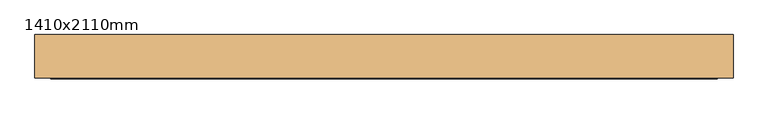
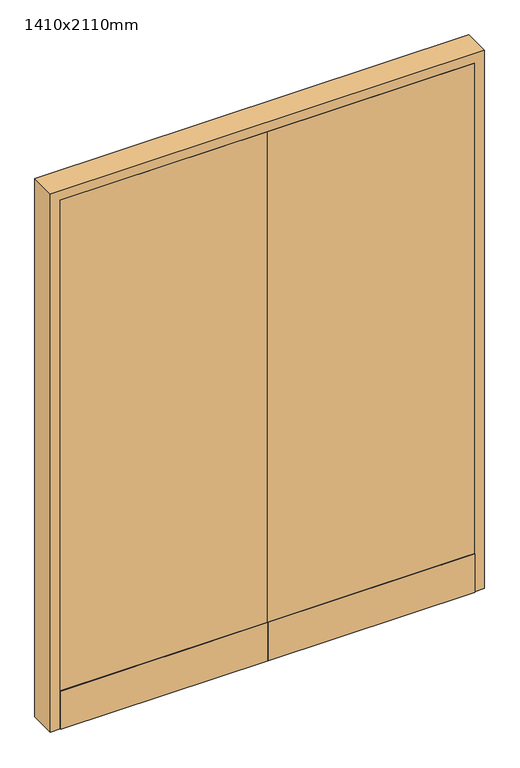
"""IFC4 building model written with IfcOpenShell, lengths in millimetres: door geometry, 1410x2110mm."""

import ifcopenshell
import ifcopenshell.guid

model = None  # the IFC model being written
_history = None  # IfcOwnerHistory: only IFC2X3 demands one
_inside = {}  # id of a spatial element -> (the spatial element, [elements in it])
_under = {}  # id of a project, library or spatial element -> (it, [spatial elements below it])
_declared = {}  # id of a project -> (the project, [libraries it declares])
_typed = {}  # id of a type object -> (the type object, [elements of that type])
_made_of = {}  # id of a material, layer set ... -> (it, [elements and type objects made of it])


def new_model(schema):
    """Start an empty IFC model of exactly this schema.

    Asked for "IFC4X3", IfcOpenShell would pick the latest addendum, in which some entities
    have other attributes; the version numbers below select the first issue.
    IFC2X3 requires an IfcOwnerHistory on every rooted entity: one is made here for all.
    """
    global model, _history
    if schema == "IFC4X3":
        model = ifcopenshell.file(schema_version=(4, 3, 0, 0))
    else:
        model = ifcopenshell.file(schema=schema)
    _inside.clear()
    _under.clear()
    _declared.clear()
    _typed.clear()
    _made_of.clear()
    _history = None
    if model.schema == "IFC2X3":
        org = make("IfcOrganization", Name="unknown")
        user = make(
            "IfcPersonAndOrganization",
            ThePerson=make("IfcPerson", FamilyName="unknown"),
            TheOrganization=org,
        )
        app = make(
            "IfcApplication",
            ApplicationDeveloper=org,
            Version="unknown",
            ApplicationFullName="unknown",
            ApplicationIdentifier="unknown",
        )
        _history = make(
            "IfcOwnerHistory",
            OwningUser=user,
            OwningApplication=app,
            ChangeAction="ADDED",
            CreationDate=0,
        )
    return model


def make(cls, **values):
    """One entity of the class cls with the attributes given. An attribute that is None is left unset."""
    return model.create_entity(
        cls, **{name: value for name, value in values.items() if value is not None}
    )


def rooted(cls, **values):
    """An entity with a GlobalId (a new one), such as an element, a storey or a relation."""
    return make(cls, GlobalId=ifcopenshell.guid.new(), OwnerHistory=_history, **values)


def si_unit(unit_type, name, prefix=None):
    """IfcSIUnit, for example si_unit("LENGTHUNIT", "METRE", prefix="MILLI")."""
    return make("IfcSIUnit", UnitType=unit_type, Prefix=prefix, Name=name)


def assignment(units):
    """IfcUnitAssignment: the units of a project."""
    return None if units is None else make("IfcUnitAssignment", Units=units)


def point(xyz):
    """IfcCartesianPoint."""
    return None if xyz is None else make("IfcCartesianPoint", Coordinates=xyz)


def direction(xyz):
    """IfcDirection."""
    return None if xyz is None else make("IfcDirection", DirectionRatios=xyz)


def frame(location, z_axis=None, x_axis=None):
    """IfcAxis2Placement3D, a coordinate frame: its origin and axes. An axis left out is left unset."""
    return make(
        "IfcAxis2Placement3D",
        Location=point(location),
        Axis=direction(z_axis),
        RefDirection=direction(x_axis),
    )


def origin():
    """The frame at (0, 0, 0) with its axes left unset."""
    return frame((0.0, 0.0, 0.0))


def origin_with_axes():
    """The frame at (0, 0, 0) with the z axis (0, 0, 1) and the x axis (1, 0, 0) written out."""
    return frame((0.0, 0.0, 0.0), z_axis=(0.0, 0.0, 1.0), x_axis=(1.0, 0.0, 0.0))


def place(relative_to, where):
    """IfcLocalPlacement: puts the frame where relative to a parent placement (None: the world)."""
    return make(
        "IfcLocalPlacement", PlacementRelTo=relative_to, RelativePlacement=where
    )


def context(
    kind, dimensions, precision=None, world=None, true_north=None, identifier=None
):
    """IfcGeometricRepresentationContext, for example the 3D "Model" context."""
    return make(
        "IfcGeometricRepresentationContext",
        ContextIdentifier=identifier,
        ContextType=kind,
        CoordinateSpaceDimension=dimensions,
        Precision=precision,
        WorldCoordinateSystem=world,
        TrueNorth=true_north,
    )


def project(units=None, contexts=None):
    """IfcProject with its units and contexts."""
    return rooted(
        "IfcProject",
        Name="project",
        RepresentationContexts=contexts,
        UnitsInContext=assignment(units),
    )


def spatial(cls, under=None, at=None, **own):
    """A site, building, storey or space (cls), placed at a placement, below another one or the project."""
    s = rooted(cls, ObjectPlacement=at, **own)
    if under is not None:
        _under.setdefault(under.id(), (under, []))[1].append(s)
    return s


def polyline(points):
    """IfcPolyline through the points."""
    return make("IfcPolyline", Points=[point(p) for p in points])


def outline(outer, holes=None, kind="AREA"):
    """IfcArbitraryClosedProfileDef: a profile drawn as a closed curve; with holes, ...WithVoids."""
    if holes is None:
        return make("IfcArbitraryClosedProfileDef", ProfileType=kind, OuterCurve=outer)
    return make(
        "IfcArbitraryProfileDefWithVoids",
        ProfileType=kind,
        OuterCurve=outer,
        InnerCurves=holes,
    )


def extrude(swept, where, along, depth):
    """IfcExtrudedAreaSolid: the profile swept, set in the frame where, extruded along a direction by depth."""
    return make(
        "IfcExtrudedAreaSolid",
        SweptArea=swept,
        Position=where,
        ExtrudedDirection=direction(along),
        Depth=depth,
    )


def faces_of(points, faces, orient=None, outer=None):
    """IfcFace entities. A face is a list of loops; a loop is a list of indices into points, from 0.

    orient and outer hold one flag for each loop. By default every Orientation is true, the
    first loop of a face is its IfcFaceOuterBound and the others are IfcFaceBound.
    """
    made = []
    for i, loops in enumerate(faces):
        bounds = []
        for j, loop in enumerate(loops):
            is_outer = j == 0 if outer is None else outer[i][j]
            bounds.append(
                make(
                    "IfcFaceOuterBound" if is_outer else "IfcFaceBound",
                    Bound=make("IfcPolyLoop", Polygon=[points[k] for k in loop]),
                    Orientation=True if orient is None else orient[i][j],
                )
            )
        made.append(make("IfcFace", Bounds=bounds))
    return made


def faceted_brep(points, faces, orient=None, outer=None, voids=None):
    """IfcFacetedBrep: a solid bounded by flat faces; with voids (closed shells), ...WithVoids."""
    shared = [point(p) for p in points]
    hull = make("IfcClosedShell", CfsFaces=faces_of(shared, faces, orient, outer))
    if voids is None:
        return make("IfcFacetedBrep", Outer=hull)
    return make(
        "IfcFacetedBrepWithVoids",
        Outer=hull,
        Voids=[
            make(cls, CfsFaces=faces_of(shared, fs, o, b)) for cls, fs, o, b in voids
        ],
    )


def shape(context_of_items, identifier, shape_type, items):
    """IfcShapeRepresentation: the items that make up one representation, for example the "Body"."""
    return make(
        "IfcShapeRepresentation",
        ContextOfItems=context_of_items,
        RepresentationIdentifier=identifier,
        RepresentationType=shape_type,
        Items=items,
    )


def source(mapping_origin, context_of_items, identifier, shape_type, items):
    """IfcRepresentationMap: a shape defined once, which mapped items show again and again."""
    return make(
        "IfcRepresentationMap",
        MappingOrigin=mapping_origin,
        MappedRepresentation=shape(context_of_items, identifier, shape_type, items),
    )


def transform(
    local_origin,
    x_axis=None,
    y_axis=None,
    z_axis=None,
    scale=None,
    scale2=None,
    scale3=None,
    uniform=True,
):
    """IfcCartesianTransformationOperator3D, or its non-uniform kind. x_axis, y_axis, z_axis: its Axis1, 2, 3."""
    if uniform:
        return make(
            "IfcCartesianTransformationOperator3D",
            Axis1=direction(x_axis),
            Axis2=direction(y_axis),
            LocalOrigin=point(local_origin),
            Scale=scale,
            Axis3=direction(z_axis),
        )
    return make(
        "IfcCartesianTransformationOperator3DnonUniform",
        Axis1=direction(x_axis),
        Axis2=direction(y_axis),
        LocalOrigin=point(local_origin),
        Scale=scale,
        Axis3=direction(z_axis),
        Scale2=scale2,
        Scale3=scale3,
    )


def mapped(mapping_source, mapping_target):
    """IfcMappedItem: shows the shape of a source again, moved by a transform."""
    return make(
        "IfcMappedItem", MappingSource=mapping_source, MappingTarget=mapping_target
    )


def made_of(thing, what):
    """Note that an element or type object is made of a material, layer set ...; save() writes the relation."""
    if what is not None:
        _made_of.setdefault(what.id(), (what, []))[1].append(thing)
    return thing


def element(
    cls,
    number,
    at=None,
    inside=None,
    cuts=None,
    type_object=None,
    material=None,
    context=None,
    identifier="Body",
    shape_type=None,
    held_by="IfcProductDefinitionShape",
    body=None,
    shapes=None,
    **own,
):
    """One element of the class cls, such as IfcWall. Its Tag is "e" and its number.

    at: its placement. inside: the storey or other place that contains it. cuts: it is an
    opening in that element (IfcRelVoidsElement). A single representation is given by context,
    identifier, shape_type and body (its items); several are given by shapes. held_by: the class
    of the entity that holds the representations. save() writes the other relations.
    """
    e = rooted(cls, Tag="e%d" % number, ObjectPlacement=at, **own)
    if body is not None:
        shapes = [shape(context, identifier, shape_type, body)]
    if shapes is not None:
        e.Representation = make(held_by, Representations=shapes)
    if inside is not None:
        _inside.setdefault(inside.id(), (inside, []))[1].append(e)
    if cuts is not None:
        rooted(
            "IfcRelVoidsElement", RelatingBuildingElement=cuts, RelatedOpeningElement=e
        )
    if type_object is not None:
        _typed.setdefault(type_object.id(), (type_object, []))[1].append(e)
    return made_of(e, material)


def aggregate(whole, parts):
    """IfcRelAggregates: a whole, such as a stair, and the parts it consists of."""
    return rooted("IfcRelAggregates", RelatingObject=whole, RelatedObjects=parts)


def save(model, path):
    """Write the relations noted so far, then the file.

    IfcRelAggregates (storeys below a building ...), IfcRelContainedInSpatialStructure (elements
    in a storey), IfcRelDefinesByType, IfcRelAssociatesMaterial and IfcRelDeclares: one each for
    every whole, place, type object, material and project.
    """
    for whole, parts in _under.values():
        aggregate(whole, parts)
    for where, things in _inside.values():
        rooted(
            "IfcRelContainedInSpatialStructure",
            RelatedElements=things,
            RelatingStructure=where,
        )
    for kind, things in _typed.values():
        rooted("IfcRelDefinesByType", RelatedObjects=things, RelatingType=kind)
    for what, things in _made_of.values():
        rooted("IfcRelAssociatesMaterial", RelatedObjects=things, RelatingMaterial=what)
    for by, libraries in _declared.values():
        rooted("IfcRelDeclares", RelatingContext=by, RelatedDefinitions=libraries)
    model.write(path)


def door_1410x2110mm_376bc118(model_context):
    return source(origin(), model_context, "Body", "SolidModel", [
        extrude(outline(polyline([(-768.0, -108.0), (0.0, -108.0), (0.0, -110.0), (-768.0, -110.0), (-768.0, -108.0)])), origin_with_axes(), (0.0, 0.0, 1.0), 150.0),
        extrude(outline(polyline([(0.0, -108.0), (768.0, -108.0), (768.0, -110.0), (0.0, -110.0), (0.0, -108.0)])), origin_with_axes(), (0.0, 0.0, 1.0), 150.0),
        extrude(outline(polyline([(768.0, -152.0), (0.0, -152.0), (0.0, -150.0), (768.0, -150.0), (768.0, -152.0)])), origin_with_axes(), (0.0, 0.0, 1.0), 150.0),
        extrude(outline(polyline([(0.0, -152.0), (-768.0, -152.0), (-768.0, -150.0), (0.0, -150.0), (0.0, -152.0)])), origin_with_axes(), (0.0, 0.0, 1.0), 150.0),
        extrude(outline(polyline([(768.0, -150.0), (0.0, -150.0), (0.0, -110.0), (768.0, -110.0), (768.0, -150.0)])), origin_with_axes(), (0.0, 0.0, 1.0), 2073.0),
        extrude(outline(polyline([(-768.0, -150.0), (-768.0, -110.0), (0.0, -110.0), (0.0, -150.0), (-768.0, -150.0)])), origin_with_axes(), (0.0, 0.0, 1.0), 2073.0),
        faceted_brep([(805.0, -150.0, 0.0), (768.0, -150.0, 0.0), (768.0, -110.0, 0.0), (755.0, -110.0, 0.0), (755.0, -50.0, 0.0), (805.0, -50.0, 0.0), (805.0, -150.0, 2110.0), (-805.0, -150.0, 2110.0), (-805.0, -150.0, 0.0), (-768.0, -150.0, 0.0), (-768.0, -150.0, 2073.0), (768.0, -150.0, 2073.0), (768.0, -110.0, 2073.0), (-768.0, -110.0, 2073.0), (-768.0, -110.0, 0.0), (-755.0, -110.0, 0.0), (-755.0, -110.0, 2060.0), (755.0, -110.0, 2060.0), (755.0, -50.0, 2060.0), (-755.0, -50.0, 2060.0), (-755.0, -50.0, 0.0), (-805.0, -50.0, 0.0), (-805.0, -50.0, 2110.0), (805.0, -50.0, 2110.0)], [[[0, 1, 2, 3, 4, 5]], [[1, 0, 6, 7, 8, 9, 10, 11]], [[2, 1, 11, 12]], [[3, 2, 12, 13, 14, 15, 16, 17]], [[4, 3, 17, 18]], [[5, 4, 18, 19, 20, 21, 22, 23]], [[0, 5, 23, 6]], [[7, 22, 21, 8]], [[8, 21, 20, 15, 14, 9]], [[13, 10, 9, 14]], [[19, 16, 15, 20]], [[12, 11, 10, 13]], [[18, 17, 16, 19]], [[6, 23, 22, 7]]]),
    ])


if __name__ == "__main__":
    model = new_model("IFC4")
    model_context = context("Model", 3, world=origin())
    ifc_project = project(units=[si_unit("LENGTHUNIT", "METRE", prefix="MILLI")], contexts=[model_context])
    site = spatial("IfcSite", under=ifc_project)
    building = spatial("IfcBuilding", under=site)
    placement = place(None, origin())
    door_1410x2110mm_shape = door_1410x2110mm_376bc118(model_context)
    element("IfcDoor", 1, ObjectType="1410x2110mm", at=placement, inside=building, context=model_context, shape_type="MappedRepresentation", body=[
        mapped(door_1410x2110mm_shape, transform((0.0, 0.0, 0.0), x_axis=(1.0, 0.0, 0.0), y_axis=(0.0, 1.0, 0.0), z_axis=(0.0, 0.0, 1.0))),
    ])
    save(model, "model.ifc")
